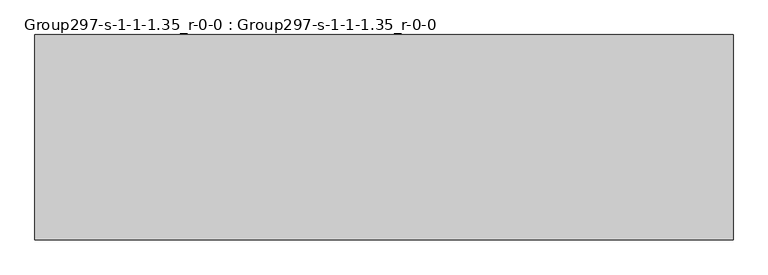
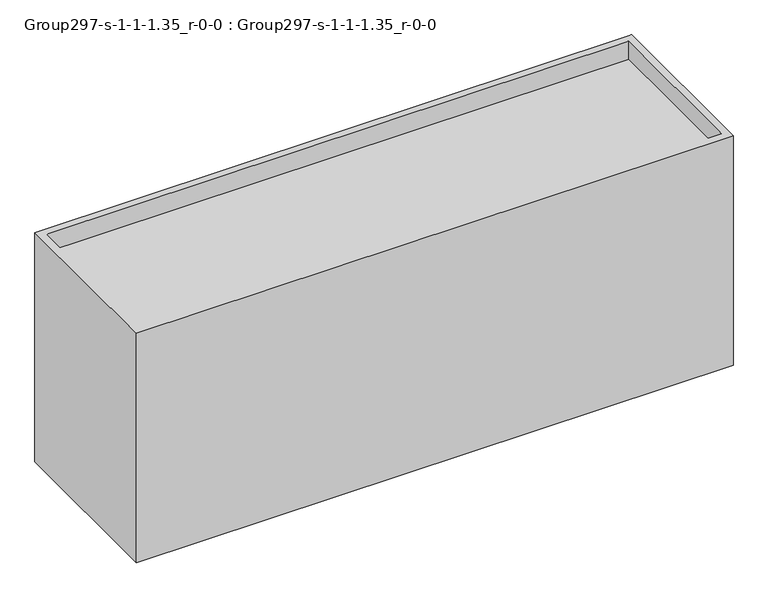
"""IFC4 building model written with IfcOpenShell, lengths in millimetres: geographic element geometry, Group297-s-1-1-1.35_r-0-0 : Group297-s-1-1-1.35_r-0-0."""

import ifcopenshell
import ifcopenshell.guid

model = None  # the IFC model being written
_history = None  # IfcOwnerHistory: only IFC2X3 demands one
_inside = {}  # id of a spatial element -> (the spatial element, [elements in it])
_under = {}  # id of a project, library or spatial element -> (it, [spatial elements below it])
_declared = {}  # id of a project -> (the project, [libraries it declares])
_typed = {}  # id of a type object -> (the type object, [elements of that type])
_made_of = {}  # id of a material, layer set ... -> (it, [elements and type objects made of it])


def new_model(schema):
    """Start an empty IFC model of exactly this schema.

    Asked for "IFC4X3", IfcOpenShell would pick the latest addendum, in which some entities
    have other attributes; the version numbers below select the first issue.
    IFC2X3 requires an IfcOwnerHistory on every rooted entity: one is made here for all.
    """
    global model, _history
    if schema == "IFC4X3":
        model = ifcopenshell.file(schema_version=(4, 3, 0, 0))
    else:
        model = ifcopenshell.file(schema=schema)
    _inside.clear()
    _under.clear()
    _declared.clear()
    _typed.clear()
    _made_of.clear()
    _history = None
    if model.schema == "IFC2X3":
        org = make("IfcOrganization", Name="unknown")
        user = make(
            "IfcPersonAndOrganization",
            ThePerson=make("IfcPerson", FamilyName="unknown"),
            TheOrganization=org,
        )
        app = make(
            "IfcApplication",
            ApplicationDeveloper=org,
            Version="unknown",
            ApplicationFullName="unknown",
            ApplicationIdentifier="unknown",
        )
        _history = make(
            "IfcOwnerHistory",
            OwningUser=user,
            OwningApplication=app,
            ChangeAction="ADDED",
            CreationDate=0,
        )
    return model


def make(cls, **values):
    """One entity of the class cls with the attributes given. An attribute that is None is left unset."""
    return model.create_entity(
        cls, **{name: value for name, value in values.items() if value is not None}
    )


def rooted(cls, **values):
    """An entity with a GlobalId (a new one), such as an element, a storey or a relation."""
    return make(cls, GlobalId=ifcopenshell.guid.new(), OwnerHistory=_history, **values)


def si_unit(unit_type, name, prefix=None):
    """IfcSIUnit, for example si_unit("LENGTHUNIT", "METRE", prefix="MILLI")."""
    return make("IfcSIUnit", UnitType=unit_type, Prefix=prefix, Name=name)


def assignment(units):
    """IfcUnitAssignment: the units of a project."""
    return None if units is None else make("IfcUnitAssignment", Units=units)


def point(xyz):
    """IfcCartesianPoint."""
    return None if xyz is None else make("IfcCartesianPoint", Coordinates=xyz)


def direction(xyz):
    """IfcDirection."""
    return None if xyz is None else make("IfcDirection", DirectionRatios=xyz)


def frame(location, z_axis=None, x_axis=None):
    """IfcAxis2Placement3D, a coordinate frame: its origin and axes. An axis left out is left unset."""
    return make(
        "IfcAxis2Placement3D",
        Location=point(location),
        Axis=direction(z_axis),
        RefDirection=direction(x_axis),
    )


def origin():
    """The frame at (0, 0, 0) with its axes left unset."""
    return frame((0.0, 0.0, 0.0))


def place(relative_to, where):
    """IfcLocalPlacement: puts the frame where relative to a parent placement (None: the world)."""
    return make(
        "IfcLocalPlacement", PlacementRelTo=relative_to, RelativePlacement=where
    )


def context(
    kind, dimensions, precision=None, world=None, true_north=None, identifier=None
):
    """IfcGeometricRepresentationContext, for example the 3D "Model" context."""
    return make(
        "IfcGeometricRepresentationContext",
        ContextIdentifier=identifier,
        ContextType=kind,
        CoordinateSpaceDimension=dimensions,
        Precision=precision,
        WorldCoordinateSystem=world,
        TrueNorth=true_north,
    )


def project(units=None, contexts=None):
    """IfcProject with its units and contexts."""
    return rooted(
        "IfcProject",
        Name="project",
        RepresentationContexts=contexts,
        UnitsInContext=assignment(units),
    )


def spatial(cls, under=None, at=None, **own):
    """A site, building, storey or space (cls), placed at a placement, below another one or the project."""
    s = rooted(cls, ObjectPlacement=at, **own)
    if under is not None:
        _under.setdefault(under.id(), (under, []))[1].append(s)
    return s


def point_list(points):
    """IfcCartesianPointList2D or 3D."""
    cls = (
        "IfcCartesianPointList2D" if len(points[0]) == 2 else "IfcCartesianPointList3D"
    )
    return make(cls, CoordList=points)


def triangles(points, corners, closed=None, point_numbers=None):
    """IfcTriangulatedFaceSet: each triangle names its three corners, points numbered from 1."""
    return make(
        "IfcTriangulatedFaceSet",
        Coordinates=point_list(points),
        Closed=closed,
        CoordIndex=corners,
        PnIndex=point_numbers,
    )


def shape(context_of_items, identifier, shape_type, items):
    """IfcShapeRepresentation: the items that make up one representation, for example the "Body"."""
    return make(
        "IfcShapeRepresentation",
        ContextOfItems=context_of_items,
        RepresentationIdentifier=identifier,
        RepresentationType=shape_type,
        Items=items,
    )


def source(mapping_origin, context_of_items, identifier, shape_type, items):
    """IfcRepresentationMap: a shape defined once, which mapped items show again and again."""
    return make(
        "IfcRepresentationMap",
        MappingOrigin=mapping_origin,
        MappedRepresentation=shape(context_of_items, identifier, shape_type, items),
    )


def transform(
    local_origin,
    x_axis=None,
    y_axis=None,
    z_axis=None,
    scale=None,
    scale2=None,
    scale3=None,
    uniform=True,
):
    """IfcCartesianTransformationOperator3D, or its non-uniform kind. x_axis, y_axis, z_axis: its Axis1, 2, 3."""
    if uniform:
        return make(
            "IfcCartesianTransformationOperator3D",
            Axis1=direction(x_axis),
            Axis2=direction(y_axis),
            LocalOrigin=point(local_origin),
            Scale=scale,
            Axis3=direction(z_axis),
        )
    return make(
        "IfcCartesianTransformationOperator3DnonUniform",
        Axis1=direction(x_axis),
        Axis2=direction(y_axis),
        LocalOrigin=point(local_origin),
        Scale=scale,
        Axis3=direction(z_axis),
        Scale2=scale2,
        Scale3=scale3,
    )


def mapped(mapping_source, mapping_target):
    """IfcMappedItem: shows the shape of a source again, moved by a transform."""
    return make(
        "IfcMappedItem", MappingSource=mapping_source, MappingTarget=mapping_target
    )


def made_of(thing, what):
    """Note that an element or type object is made of a material, layer set ...; save() writes the relation."""
    if what is not None:
        _made_of.setdefault(what.id(), (what, []))[1].append(thing)
    return thing


def element(
    cls,
    number,
    at=None,
    inside=None,
    cuts=None,
    type_object=None,
    material=None,
    context=None,
    identifier="Body",
    shape_type=None,
    held_by="IfcProductDefinitionShape",
    body=None,
    shapes=None,
    **own,
):
    """One element of the class cls, such as IfcWall. Its Tag is "e" and its number.

    at: its placement. inside: the storey or other place that contains it. cuts: it is an
    opening in that element (IfcRelVoidsElement). A single representation is given by context,
    identifier, shape_type and body (its items); several are given by shapes. held_by: the class
    of the entity that holds the representations. save() writes the other relations.
    """
    e = rooted(cls, Tag="e%d" % number, ObjectPlacement=at, **own)
    if body is not None:
        shapes = [shape(context, identifier, shape_type, body)]
    if shapes is not None:
        e.Representation = make(held_by, Representations=shapes)
    if inside is not None:
        _inside.setdefault(inside.id(), (inside, []))[1].append(e)
    if cuts is not None:
        rooted(
            "IfcRelVoidsElement", RelatingBuildingElement=cuts, RelatedOpeningElement=e
        )
    if type_object is not None:
        _typed.setdefault(type_object.id(), (type_object, []))[1].append(e)
    return made_of(e, material)


def aggregate(whole, parts):
    """IfcRelAggregates: a whole, such as a stair, and the parts it consists of."""
    return rooted("IfcRelAggregates", RelatingObject=whole, RelatedObjects=parts)


def save(model, path):
    """Write the relations noted so far, then the file.

    IfcRelAggregates (storeys below a building ...), IfcRelContainedInSpatialStructure (elements
    in a storey), IfcRelDefinesByType, IfcRelAssociatesMaterial and IfcRelDeclares: one each for
    every whole, place, type object, material and project.
    """
    for whole, parts in _under.values():
        aggregate(whole, parts)
    for where, things in _inside.values():
        rooted(
            "IfcRelContainedInSpatialStructure",
            RelatedElements=things,
            RelatingStructure=where,
        )
    for kind, things in _typed.values():
        rooted("IfcRelDefinesByType", RelatedObjects=things, RelatingType=kind)
    for what, things in _made_of.values():
        rooted("IfcRelAssociatesMaterial", RelatedObjects=things, RelatingMaterial=what)
    for by, libraries in _declared.values():
        rooted("IfcRelDeclares", RelatingContext=by, RelatedDefinitions=libraries)
    model.write(path)


def group297_s_1_1_1_35_r_0_0_group297_s_1_1_1_35_r_0_0_de42297a(model_context):
    return source(origin(), model_context, "Body", "Tessellation", [
        triangles([(16976.7253876, 7585.0748062, 0.0), (-8792.4749451, 0.0, 0.0), (-8792.4749451, 7585.0748062, 0.0), (16976.7253876, 0.0, 0.0), (16976.7253876, 0.0, 10472.8549347), (16976.7253876, 7585.0748062, 10472.8549347), (-8792.4749451, 0.0, 10472.8549347), (-8487.6749451, 304.8, 10472.8549347), (-8792.4749451, 7585.0748062, 10472.8549347), (16671.9253876, 304.8, 10472.8549347), (16671.9253876, 7280.2748062, 10472.8549347), (-8487.6749451, 7280.2748062, 10472.8549347), (-8487.6749451, 7280.2748062, 9649.8952835), (16671.9253876, 7280.2748062, 9649.8952835), (16671.9253876, 304.8, 9649.8952835), (-8487.6749451, 304.8, 9649.8952835)], [[1, 2, 3], [2, 1, 4], [1, 5, 4], [5, 1, 6], [7, 8, 9], [8, 7, 5], [8, 5, 10], [10, 5, 11], [9, 12, 6], [12, 9, 8], [6, 12, 11], [6, 11, 5], [4, 7, 2], [7, 4, 5], [11, 13, 14], [13, 11, 12], [8, 15, 16], [15, 8, 10], [15, 13, 16], [13, 15, 14], [13, 8, 16], [8, 13, 12], [7, 3, 2], [3, 7, 9], [11, 15, 10], [15, 11, 14], [9, 1, 3], [1, 9, 6]]),
    ])


if __name__ == "__main__":
    model = new_model("IFC4")
    model_context = context("Model", 3, world=origin())
    ifc_project = project(units=[si_unit("LENGTHUNIT", "METRE", prefix="MILLI")], contexts=[model_context])
    site = spatial("IfcSite", under=ifc_project)
    building = spatial("IfcBuilding", under=site)
    placement = place(None, origin())
    group297_s_1_1_1_35_r_0_0_group297_s_1_1_1_35_r_0_0_shape = group297_s_1_1_1_35_r_0_0_group297_s_1_1_1_35_r_0_0_de42297a(model_context)
    element("IfcGeographicElement", 1, ObjectType="Group297-s-1-1-1.35_r-0-0 : Group297-s-1-1-1.35_r-0-0", at=placement, inside=building, context=model_context, shape_type="MappedRepresentation", body=[
        mapped(group297_s_1_1_1_35_r_0_0_group297_s_1_1_1_35_r_0_0_shape, transform((0.0, 0.0, 0.0), x_axis=(1.0, 0.0, 0.0), y_axis=(0.0, 1.0, 0.0), z_axis=(0.0, 0.0, 1.0))),
    ])
    save(model, "model.ifc")
